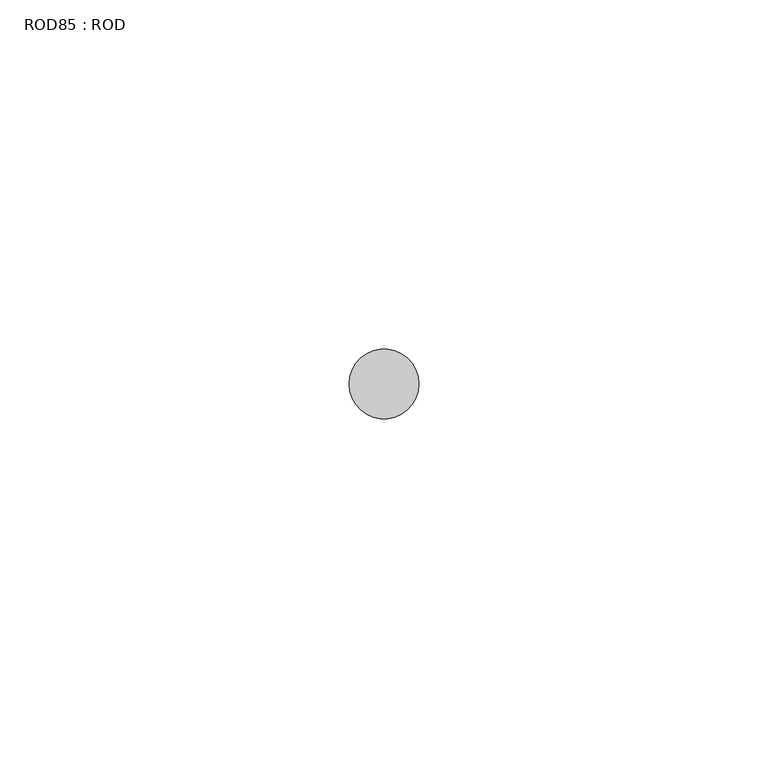
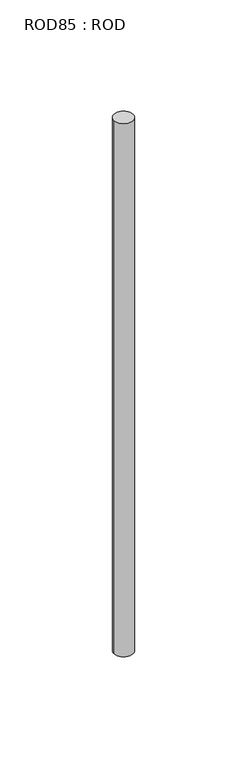
"""IFC4 building model written with IfcOpenShell, lengths in millimetres: proxy geometry, ROD85 : ROD."""

from ifc_helpers import new_model, si_unit, point, frame, frame_2d, origin, place, context, project, spatial, circle_curve, trimmed, segment, composite_curve, outline, extrude, source, transform, mapped, element, save


def rod85_rod_52a56d63(model_context):
    return source(origin(), model_context, "Body", "SweptSolid", [
        extrude(outline(composite_curve([segment(trimmed(circle_curve(frame_2d((-10020.2326676, -12414.6300853)), 5.0), [point((-10025.2326676, -12414.6300853))], [point((-10015.2326676, -12414.6300853))], False, "CARTESIAN"), True, "CONTINUOUS"), segment(trimmed(circle_curve(frame_2d((-10020.2326676, -12414.6300853)), 5.0), [point((-10015.2326676, -12414.6300853))], [point((-10025.2326676, -12414.6300853))], False, "CARTESIAN"), True, "CONTINUOUS")], self_intersect=False)), frame((0.0, 0.0, -208.6608845), z_axis=(0.0, 0.0, 1.0), x_axis=(1.0, 0.0, 0.0)), (0.0, 0.0, 1.0), 298.9028972),
    ])


if __name__ == "__main__":
    model = new_model("IFC4")
    model_context = context("Model", 3, world=origin())
    ifc_project = project(units=[si_unit("LENGTHUNIT", "METRE", prefix="MILLI")], contexts=[model_context])
    site = spatial("IfcSite", under=ifc_project)
    building = spatial("IfcBuilding", under=site)
    placement = place(None, origin())
    rod85_rod_shape = rod85_rod_52a56d63(model_context)
    element("IfcBuildingElementProxy", 1, Name="ROD85 : ROD", ObjectType="ROD85 : ROD", at=placement, inside=building, context=model_context, shape_type="MappedRepresentation", body=[
        mapped(rod85_rod_shape, transform((0.0, 0.0, 0.0), x_axis=(1.0, 0.0, 0.0), y_axis=(0.0, 1.0, 0.0), z_axis=(0.0, 0.0, 1.0))),
    ])
    save(model, "model.ifc")
